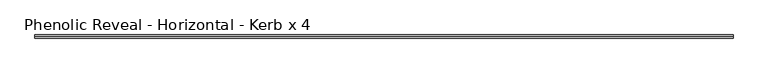
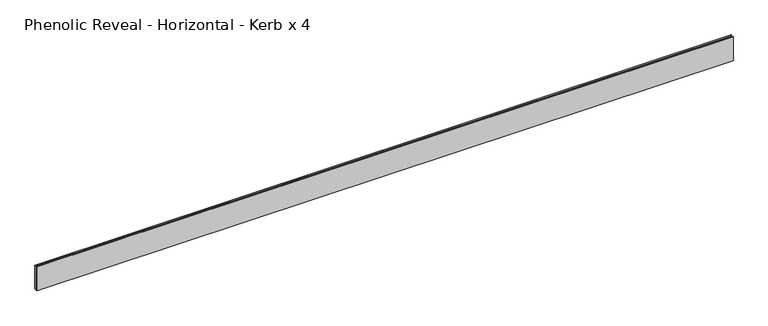
"""IFC4 building model written with IfcOpenShell, lengths in millimetres: proxy geometry, Phenolic Reveal - Horizontal - Kerb x 4."""

from ifc_helpers import new_model, si_unit, origin, place, context, project, spatial, faceted_brep, source, transform, mapped, element, save


def phenolic_reveal_horizontal_kerb_x_4_db9b1bab(model_context):
    return source(origin(), model_context, "Body", "Brep", [
        faceted_brep([(2105.025, 9.525, 76.2), (2105.025, 6.0765851, 76.2), (2105.025, 6.0765851, 0.0), (2105.025, 9.525, 0.0), (2105.025, 3.3757545, 0.0), (2105.025, 3.3757545, 76.2), (2105.025, 0.0, 76.2), (2105.025, 0.0, 0.0), (0.0, 9.525, 76.2), (0.0, 9.525, 0.0), (0.0, 6.0765851, 0.0), (0.0, 6.0765851, 76.2), (0.0, 3.3757545, 76.2), (0.0, 3.3757545, 0.0), (0.0, 0.0, 0.0), (0.0, 0.0, 76.2), (2093.9125, 6.0765851, 65.3591015), (2093.9125, 6.0765851, 10.8408985), (11.1125, 6.0765851, 10.8408985), (11.1125, 6.0765851, 65.3591015), (11.1125, 3.3757545, 65.3591015), (2093.9125, 3.3757545, 65.3591015), (11.1125, 3.3757545, 10.8408985), (2093.9125, 3.3757545, 10.8408985)], [[[0, 1, 2, 3]], [[4, 5, 6, 7]], [[8, 9, 10, 11]], [[12, 13, 14, 15]], [[11, 1, 0, 8]], [[2, 1, 11, 10], [16, 17, 18, 19]], [[16, 19, 20, 21]], [[5, 4, 13, 12], [20, 22, 23, 21]], [[6, 5, 12, 15]], [[7, 6, 15, 14]], [[13, 4, 7, 14]], [[23, 22, 18, 17]], [[3, 2, 10, 9]], [[0, 3, 9, 8]], [[21, 23, 17, 16]], [[22, 20, 19, 18]]]),
    ])


if __name__ == "__main__":
    model = new_model("IFC4")
    model_context = context("Model", 3, world=origin())
    ifc_project = project(units=[si_unit("LENGTHUNIT", "METRE", prefix="MILLI")], contexts=[model_context])
    site = spatial("IfcSite", under=ifc_project)
    building = spatial("IfcBuilding", under=site)
    placement = place(None, origin())
    phenolic_reveal_horizontal_kerb_x_4_shape = phenolic_reveal_horizontal_kerb_x_4_db9b1bab(model_context)
    element("IfcBuildingElementProxy", 1, Name="Phenolic Reveal - Horizontal - Kerb x 4", ObjectType="Phenolic Reveal - Horizontal - Kerb x 4", at=placement, inside=building, context=model_context, shape_type="MappedRepresentation", body=[
        mapped(phenolic_reveal_horizontal_kerb_x_4_shape, transform((0.0, 0.0, 0.0), x_axis=(1.0, 0.0, 0.0), y_axis=(0.0, 1.0, 0.0), z_axis=(0.0, 0.0, 1.0))),
    ])
    save(model, "model.ifc")
